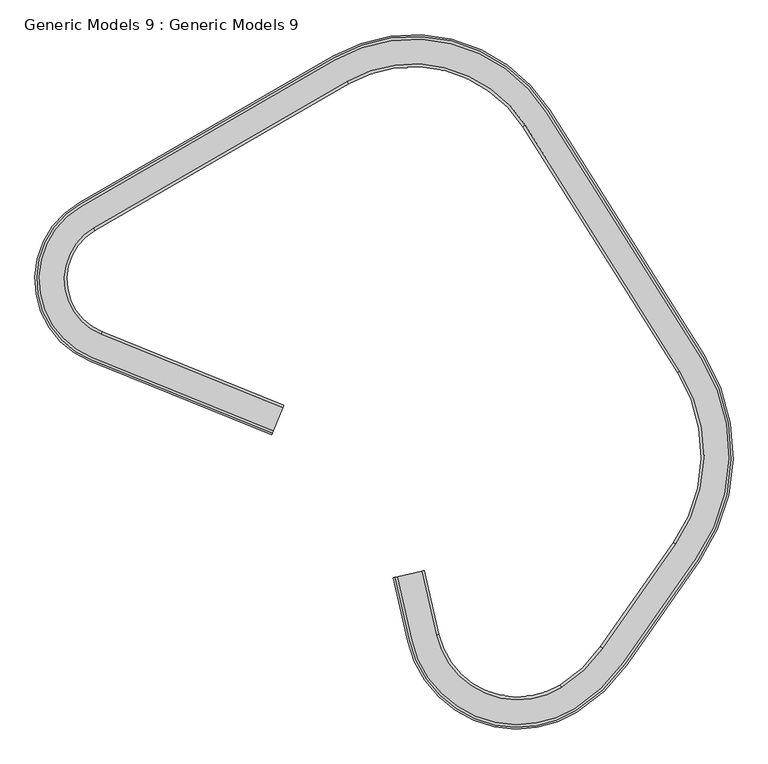
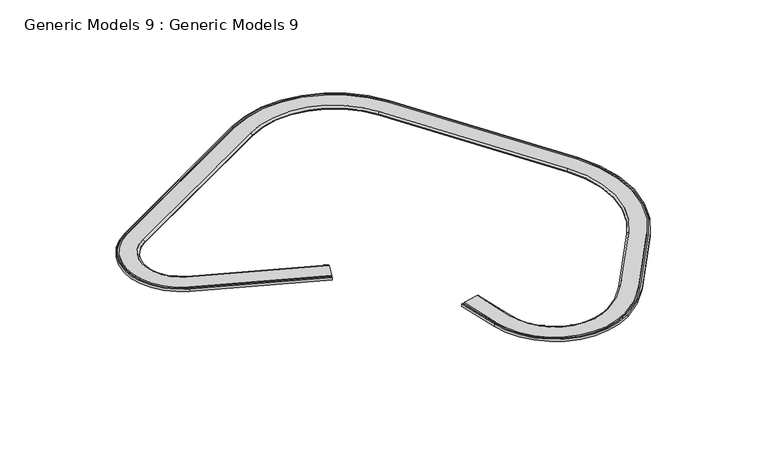
"""IFC4 building model written with IfcOpenShell, lengths in millimetres: proxy geometry, Generic Models 9 : Generic Models 9."""

import ifcopenshell
import ifcopenshell.guid

model = None  # the IFC model being written
_history = None  # IfcOwnerHistory: only IFC2X3 demands one
_inside = {}  # id of a spatial element -> (the spatial element, [elements in it])
_under = {}  # id of a project, library or spatial element -> (it, [spatial elements below it])
_declared = {}  # id of a project -> (the project, [libraries it declares])
_typed = {}  # id of a type object -> (the type object, [elements of that type])
_made_of = {}  # id of a material, layer set ... -> (it, [elements and type objects made of it])


def new_model(schema):
    """Start an empty IFC model of exactly this schema.

    Asked for "IFC4X3", IfcOpenShell would pick the latest addendum, in which some entities
    have other attributes; the version numbers below select the first issue.
    IFC2X3 requires an IfcOwnerHistory on every rooted entity: one is made here for all.
    """
    global model, _history
    if schema == "IFC4X3":
        model = ifcopenshell.file(schema_version=(4, 3, 0, 0))
    else:
        model = ifcopenshell.file(schema=schema)
    _inside.clear()
    _under.clear()
    _declared.clear()
    _typed.clear()
    _made_of.clear()
    _history = None
    if model.schema == "IFC2X3":
        org = make("IfcOrganization", Name="unknown")
        user = make(
            "IfcPersonAndOrganization",
            ThePerson=make("IfcPerson", FamilyName="unknown"),
            TheOrganization=org,
        )
        app = make(
            "IfcApplication",
            ApplicationDeveloper=org,
            Version="unknown",
            ApplicationFullName="unknown",
            ApplicationIdentifier="unknown",
        )
        _history = make(
            "IfcOwnerHistory",
            OwningUser=user,
            OwningApplication=app,
            ChangeAction="ADDED",
            CreationDate=0,
        )
    return model


def make(cls, **values):
    """One entity of the class cls with the attributes given. An attribute that is None is left unset."""
    return model.create_entity(
        cls, **{name: value for name, value in values.items() if value is not None}
    )


def rooted(cls, **values):
    """An entity with a GlobalId (a new one), such as an element, a storey or a relation."""
    return make(cls, GlobalId=ifcopenshell.guid.new(), OwnerHistory=_history, **values)


def si_unit(unit_type, name, prefix=None):
    """IfcSIUnit, for example si_unit("LENGTHUNIT", "METRE", prefix="MILLI")."""
    return make("IfcSIUnit", UnitType=unit_type, Prefix=prefix, Name=name)


def assignment(units):
    """IfcUnitAssignment: the units of a project."""
    return None if units is None else make("IfcUnitAssignment", Units=units)


def point(xyz):
    """IfcCartesianPoint."""
    return None if xyz is None else make("IfcCartesianPoint", Coordinates=xyz)


def direction(xyz):
    """IfcDirection."""
    return None if xyz is None else make("IfcDirection", DirectionRatios=xyz)


def frame(location, z_axis=None, x_axis=None):
    """IfcAxis2Placement3D, a coordinate frame: its origin and axes. An axis left out is left unset."""
    return make(
        "IfcAxis2Placement3D",
        Location=point(location),
        Axis=direction(z_axis),
        RefDirection=direction(x_axis),
    )


def origin():
    """The frame at (0, 0, 0) with its axes left unset."""
    return frame((0.0, 0.0, 0.0))


def place(relative_to, where):
    """IfcLocalPlacement: puts the frame where relative to a parent placement (None: the world)."""
    return make(
        "IfcLocalPlacement", PlacementRelTo=relative_to, RelativePlacement=where
    )


def context(
    kind, dimensions, precision=None, world=None, true_north=None, identifier=None
):
    """IfcGeometricRepresentationContext, for example the 3D "Model" context."""
    return make(
        "IfcGeometricRepresentationContext",
        ContextIdentifier=identifier,
        ContextType=kind,
        CoordinateSpaceDimension=dimensions,
        Precision=precision,
        WorldCoordinateSystem=world,
        TrueNorth=true_north,
    )


def project(units=None, contexts=None):
    """IfcProject with its units and contexts."""
    return rooted(
        "IfcProject",
        Name="project",
        RepresentationContexts=contexts,
        UnitsInContext=assignment(units),
    )


def spatial(cls, under=None, at=None, **own):
    """A site, building, storey or space (cls), placed at a placement, below another one or the project."""
    s = rooted(cls, ObjectPlacement=at, **own)
    if under is not None:
        _under.setdefault(under.id(), (under, []))[1].append(s)
    return s


def polyline(points):
    """IfcPolyline through the points."""
    return make("IfcPolyline", Points=[point(p) for p in points])


def circle_curve(where, radius):
    """IfcCircle in the frame where."""
    return make("IfcCircle", Position=where, Radius=radius)


def ellipse_curve(where, semi_axis1, semi_axis2):
    """IfcEllipse in the frame where."""
    return make(
        "IfcEllipse", Position=where, SemiAxis1=semi_axis1, SemiAxis2=semi_axis2
    )


def trimmed(basis, trim1, trim2, sense, master):
    """IfcTrimmedCurve: the piece of a basis curve between two trims."""
    return make(
        "IfcTrimmedCurve",
        BasisCurve=basis,
        Trim1=trim1,
        Trim2=trim2,
        SenseAgreement=sense,
        MasterRepresentation=master,
    )


def shape(context_of_items, identifier, shape_type, items):
    """IfcShapeRepresentation: the items that make up one representation, for example the "Body"."""
    return make(
        "IfcShapeRepresentation",
        ContextOfItems=context_of_items,
        RepresentationIdentifier=identifier,
        RepresentationType=shape_type,
        Items=items,
    )


def source(mapping_origin, context_of_items, identifier, shape_type, items):
    """IfcRepresentationMap: a shape defined once, which mapped items show again and again."""
    return make(
        "IfcRepresentationMap",
        MappingOrigin=mapping_origin,
        MappedRepresentation=shape(context_of_items, identifier, shape_type, items),
    )


def transform(
    local_origin,
    x_axis=None,
    y_axis=None,
    z_axis=None,
    scale=None,
    scale2=None,
    scale3=None,
    uniform=True,
):
    """IfcCartesianTransformationOperator3D, or its non-uniform kind. x_axis, y_axis, z_axis: its Axis1, 2, 3."""
    if uniform:
        return make(
            "IfcCartesianTransformationOperator3D",
            Axis1=direction(x_axis),
            Axis2=direction(y_axis),
            LocalOrigin=point(local_origin),
            Scale=scale,
            Axis3=direction(z_axis),
        )
    return make(
        "IfcCartesianTransformationOperator3DnonUniform",
        Axis1=direction(x_axis),
        Axis2=direction(y_axis),
        LocalOrigin=point(local_origin),
        Scale=scale,
        Axis3=direction(z_axis),
        Scale2=scale2,
        Scale3=scale3,
    )


def mapped(mapping_source, mapping_target):
    """IfcMappedItem: shows the shape of a source again, moved by a transform."""
    return make(
        "IfcMappedItem", MappingSource=mapping_source, MappingTarget=mapping_target
    )


def made_of(thing, what):
    """Note that an element or type object is made of a material, layer set ...; save() writes the relation."""
    if what is not None:
        _made_of.setdefault(what.id(), (what, []))[1].append(thing)
    return thing


def element(
    cls,
    number,
    at=None,
    inside=None,
    cuts=None,
    type_object=None,
    material=None,
    context=None,
    identifier="Body",
    shape_type=None,
    held_by="IfcProductDefinitionShape",
    body=None,
    shapes=None,
    **own,
):
    """One element of the class cls, such as IfcWall. Its Tag is "e" and its number.

    at: its placement. inside: the storey or other place that contains it. cuts: it is an
    opening in that element (IfcRelVoidsElement). A single representation is given by context,
    identifier, shape_type and body (its items); several are given by shapes. held_by: the class
    of the entity that holds the representations. save() writes the other relations.
    """
    e = rooted(cls, Tag="e%d" % number, ObjectPlacement=at, **own)
    if body is not None:
        shapes = [shape(context, identifier, shape_type, body)]
    if shapes is not None:
        e.Representation = make(held_by, Representations=shapes)
    if inside is not None:
        _inside.setdefault(inside.id(), (inside, []))[1].append(e)
    if cuts is not None:
        rooted(
            "IfcRelVoidsElement", RelatingBuildingElement=cuts, RelatedOpeningElement=e
        )
    if type_object is not None:
        _typed.setdefault(type_object.id(), (type_object, []))[1].append(e)
    return made_of(e, material)


def aggregate(whole, parts):
    """IfcRelAggregates: a whole, such as a stair, and the parts it consists of."""
    return rooted("IfcRelAggregates", RelatingObject=whole, RelatedObjects=parts)


def save(model, path):
    """Write the relations noted so far, then the file.

    IfcRelAggregates (storeys below a building ...), IfcRelContainedInSpatialStructure (elements
    in a storey), IfcRelDefinesByType, IfcRelAssociatesMaterial and IfcRelDeclares: one each for
    every whole, place, type object, material and project.
    """
    for whole, parts in _under.values():
        aggregate(whole, parts)
    for where, things in _inside.values():
        rooted(
            "IfcRelContainedInSpatialStructure",
            RelatedElements=things,
            RelatingStructure=where,
        )
    for kind, things in _typed.values():
        rooted("IfcRelDefinesByType", RelatedObjects=things, RelatingType=kind)
    for what, things in _made_of.values():
        rooted("IfcRelAssociatesMaterial", RelatedObjects=things, RelatingMaterial=what)
    for by, libraries in _declared.values():
        rooted("IfcRelDeclares", RelatingContext=by, RelatedDefinitions=libraries)
    model.write(path)


def plane_surface(at):
    """IfcPlane: the flat surface through the origin of the frame at, square to its z axis."""
    return make("IfcPlane", Position=at)


def cylinder_surface(at, radius):
    """IfcCylindricalSurface: all points at the distance radius from the z axis of the frame at."""
    return make("IfcCylindricalSurface", Position=at, Radius=radius)


def revolved_surface(curve, axis_point, axis_direction):
    """IfcSurfaceOfRevolution: the curve turned about the line through axis_point along axis_direction."""
    return make(
        "IfcSurfaceOfRevolution",
        SweptCurve=make("IfcArbitraryOpenProfileDef", ProfileType="CURVE", Curve=curve),
        AxisPosition=make("IfcAxis1Placement", Location=point(axis_point), Axis=direction(axis_direction)),
    )


def advanced_brep(points, edges, surfaces, faces):
    """IfcAdvancedBrep: a solid bounded by faces that lie on surfaces and meet in shared edges.

    An edge is (start, end): straight between two places in points (the first is 0);
    or (start, end, curve); or (start, end, curve, False) where it runs against its curve.
    A face is (place in surfaces, loops), or (place, loops, False) where it looks against
    its surface's normal. A loop lists edges by number (the first is 1), with a minus sign
    where the edge is run from its end to its start. The first loop is the outer one.
    """
    corners = [point(p) for p in points]
    vertices = [make("IfcVertexPoint", VertexGeometry=c) for c in corners]
    made = []
    for start, end, *more in edges:
        made.append(
            make(
                "IfcEdgeCurve",
                EdgeStart=vertices[start],
                EdgeEnd=vertices[end],
                EdgeGeometry=more[0] if more else make("IfcPolyline", Points=[corners[start], corners[end]]),
                SameSense=more[1] if len(more) > 1 else True,
            )
        )
    hull = []
    for where, loops, *sense in faces:
        bounds = []
        for j, loop in enumerate(loops):
            ring = [make("IfcOrientedEdge", EdgeElement=made[abs(k) - 1], Orientation=k > 0) for k in loop]
            bounds.append(
                make(
                    "IfcFaceOuterBound" if j == 0 else "IfcFaceBound",
                    Bound=make("IfcEdgeLoop", EdgeList=ring),
                    Orientation=True,
                )
            )
        hull.append(make("IfcAdvancedFace", Bounds=bounds, FaceSurface=surfaces[where], SameSense=sense[0] if sense else True))
    return make("IfcAdvancedBrep", Outer=make("IfcClosedShell", CfsFaces=hull))


def generic_models_9_generic_models_9_89d37379(model_context):
    return source(origin(), model_context, "Body", "AdvancedBrep", [
        advanced_brep(
        [(-186913.2275793, 17697.3191624, 10680.0), (-186913.2275793, 17697.3191624, 10730.0), (-186893.7213543, 17701.7358565, 10730.0), (-186893.7213543, 17701.7358565, 10705.0), (-186859.5854606, 17709.4650711, 10705.0), (-186859.5854606, 17709.4650711, 10730.0), (-186562.1155294, 17776.8196557, 10730.0), (-186527.9796357, 17784.5488704, 10695.0), (-186527.9796357, 17784.5488704, 10680.0), (-186734.8367909, 16909.4604615, 10680.0), (-186734.8367909, 16909.4604615, 10730.0), (-184642.4325682, 16029.9105196, 10730.0), (-184025.3881298, 16611.8177569, 10730.0), (-183120.8585594, 17903.6198599, 10730.0), (-183059.3616368, 20443.8215384, 10730.0), (-184978.0538623, 23487.5488587, 10730.0), (-187663.2202998, 24151.4053583, 10730.0), (-190803.2388845, 22338.5147832, 10730.0), (-190665.9331043, 20374.9506453, 10730.0), (-188417.9927431, 19466.7237853, 10730.0), (-188410.5006112, 19485.2674624, 10730.0), (-190658.4409724, 20393.4943224, 10730.0), (-190793.2388845, 22321.1942751, 10730.0), (-187653.2202998, 24134.0848502, 10730.0), (-184994.9728241, 23476.8835537, 10730.0), (-183076.2805986, 20433.1562334, 10730.0), (-183137.2416003, 17915.0913886, 10730.0), (-184041.7711707, 16623.2892857, 10730.0), (-184652.92497, 16046.9372486, 10730.0), (-186715.3305659, 16913.8771555, 10730.0), (-186715.3305659, 16913.8771555, 10705.0), (-184652.92497, 16046.9372486, 10705.0), (-184041.7711707, 16623.2892857, 10705.0), (-183137.2416003, 17915.0913886, 10705.0), (-183076.2805986, 20433.1562334, 10705.0), (-184994.9728241, 23476.8835537, 10705.0), (-187653.2202998, 24134.0848502, 10705.0), (-190793.2388845, 22321.1942751, 10705.0), (-190658.4409724, 20393.4943224, 10705.0), (-188410.5006112, 19485.2674624, 10705.0), (-188397.3893804, 19517.7188973, 10705.0), (-190645.3297416, 20425.9457573, 10705.0), (-190775.7388845, 22290.883386, 10705.0), (-187635.7202998, 24103.7739611, 10705.0), (-185024.5810072, 23458.2192698, 10705.0), (-183105.8887817, 20414.4919495, 10705.0), (-183165.9119219, 17935.1665639, 10705.0), (-184070.4414922, 16643.3644609, 10705.0), (-184671.2866733, 16076.7340245, 10705.0), (-186681.1946721, 16921.6063702, 10705.0), (-186681.1946721, 16921.6063702, 10730.0), (-184671.2866733, 16076.7340245, 10730.0), (-184070.4414922, 16643.3644609, 10730.0), (-183165.9119219, 17935.1665639, 10730.0), (-183105.8887817, 20414.4919495, 10730.0), (-185024.5810072, 23458.2192698, 10730.0), (-187635.7202998, 24103.7739611, 10730.0), (-190775.7388845, 22290.883386, 10730.0), (-190645.3297416, 20425.9457573, 10730.0), (-188397.3893804, 19517.7188973, 10730.0), (-188283.1343695, 19800.5099729, 10730.0), (-190531.0747306, 20708.7368329, 10730.0), (-190623.2388845, 22026.7456378, 10730.0), (-187483.2202998, 23839.6362129, 10730.0), (-185282.5951743, 23295.5733674, 10730.0), (-183363.9029489, 20251.8460471, 10730.0), (-183415.7532954, 18110.107377, 10730.0), (-184320.2828658, 16818.305274, 10730.0), (-184831.2958016, 16336.3916431, 10730.0), (-186383.724741, 16988.9609548, 10730.0), (-186349.5888473, 16996.6901694, 10695.0), (-186349.5888473, 16996.6901694, 10680.0), (-184849.6575048, 16366.188419, 10680.0), (-184348.9531873, 16838.3804493, 10680.0), (-183444.4236169, 18130.1825523, 10680.0), (-183393.511132, 20233.1817632, 10680.0), (-185312.2033574, 23276.9090836, 10680.0), (-187465.7202998, 23809.3253238, 10680.0), (-190605.7388845, 21996.4347487, 10680.0), (-190517.9634999, 20741.1882678, 10680.0), (-188270.0231387, 19832.9614078, 10680.0), (-188417.9927431, 19466.7237853, 10680.0), (-190665.9331043, 20374.9506453, 10680.0), (-190803.2388845, 22338.5147832, 10680.0), (-187663.2202998, 24151.4053583, 10680.0), (-184978.0538623, 23487.5488587, 10680.0), (-183059.3616368, 20443.8215384, 10680.0), (-183120.8585594, 17903.6198599, 10680.0), (-184025.3881298, 16611.8177569, 10680.0), (-184642.4325682, 16029.9105196, 10680.0), (-184849.6575048, 16366.188419, 10695.0), (-184348.9531873, 16838.3804493, 10695.0), (-183444.4236169, 18130.1825523, 10695.0), (-183393.511132, 20233.1817632, 10695.0), (-185312.2033574, 23276.9090836, 10695.0), (-187465.7202998, 23809.3253238, 10695.0), (-190605.7388845, 21996.4347487, 10695.0), (-190517.9634999, 20741.1882678, 10695.0), (-188270.0231387, 19832.9614078, 10695.0)],
        [
            (0, 1),
            (1, 2),
            (2, 3),
            (3, 4),
            (4, 5),
            (5, 6),
            (6, 7, circle_curve(frame((-186562.1155294, 17776.8196557, 10695.0), z_axis=(-0.2208347037247071, 0.9753112496176904, 0.0), x_axis=(-0.9753112496176904, -0.2208347037247071, 0.0)), 35.0)),
            (7, 8),
            (8, 0),
            (0, 9),
            (9, 10),
            (10, 1),
            (10, 11, circle_curve(frame((-185374.2775976, 17217.5248731, 10730.0), z_axis=(0.0, 0.0, 1.0), x_axis=(-0.9753112496176888, -0.2208347037247143, 0.0)), 1395.0)),
            (11, 12, circle_curve(frame((-185741.5116626, 17813.4603911, 10730.0), z_axis=(0.0, 0.0, 1.0), x_axis=(0.5246200928030663, -0.8513364541867698, 0.0)), 2095.0)),
            (12, 13),
            (13, 14, circle_curve(frame((-185000.8125011, 19219.9777813, 10730.0), z_axis=(0.0, 0.0, 1.0), x_axis=(0.8191520442889839, -0.5735764363510574, 0.0)), 2295.0)),
            (14, 15),
            (15, 16, circle_curve(frame((-186665.7202998, 22423.6846777, 10730.0), z_axis=(0.0, 0.0, 1.0), x_axis=(0.8459480889866662, 0.5332652536400695, 0.0)), 1995.0)),
            (16, 17),
            (17, 18, circle_curve(frame((-190255.7388845, 21390.216966, 10730.0), z_axis=(0.0, 0.0, 1.0), x_axis=(-0.49999999999997496, 0.866025403784453, 0.0)), 1095.0)),
            (18, 19),
            (19, 20),
            (20, 21),
            (21, 22, circle_curve(frame((-190255.7388845, 21390.216966, 10730.0), z_axis=(0.0, 0.0, -1.0), x_axis=(-0.49999999999997496, 0.866025403784453, 0.0)), 1075.0)),
            (22, 23),
            (23, 24, circle_curve(frame((-186665.7202998, 22423.6846777, 10730.0), z_axis=(0.0, 0.0, -1.0), x_axis=(0.8459480889866662, 0.5332652536400695, 0.0)), 1975.0)),
            (24, 25),
            (25, 26, circle_curve(frame((-185000.8125011, 19219.9777813, 10730.0), z_axis=(0.0, 0.0, -1.0), x_axis=(0.8191520442889839, -0.5735764363510574, 0.0)), 2275.0)),
            (26, 27),
            (27, 28, circle_curve(frame((-185741.5116626, 17813.4603911, 10730.0), z_axis=(0.0, 0.0, -1.0), x_axis=(0.5246200928030663, -0.8513364541867698, 0.0)), 2075.0)),
            (28, 29, circle_curve(frame((-185374.2775976, 17217.5248731, 10730.0), z_axis=(0.0, 0.0, -1.0), x_axis=(-0.9753112496176888, -0.2208347037247143, 0.0)), 1375.0)),
            (29, 2),
            (29, 30),
            (30, 3),
            (30, 31, circle_curve(frame((-185374.2775976, 17217.5248731, 10705.0), z_axis=(0.0, 0.0, 1.0), x_axis=(-0.9753112496176888, -0.2208347037247143, 0.0)), 1375.0)),
            (31, 32, circle_curve(frame((-185741.5116626, 17813.4603911, 10705.0), z_axis=(0.0, 0.0, 1.0), x_axis=(0.5246200928030663, -0.8513364541867698, 0.0)), 2075.0)),
            (32, 33),
            (33, 34, circle_curve(frame((-185000.8125011, 19219.9777813, 10705.0), z_axis=(0.0, 0.0, 1.0), x_axis=(0.8191520442889839, -0.5735764363510574, 0.0)), 2275.0)),
            (34, 35),
            (35, 36, circle_curve(frame((-186665.7202998, 22423.6846777, 10705.0), z_axis=(0.0, 0.0, 1.0), x_axis=(0.8459480889866662, 0.5332652536400695, 0.0)), 1975.0)),
            (36, 37),
            (37, 38, circle_curve(frame((-190255.7388845, 21390.216966, 10705.0), z_axis=(0.0, 0.0, 1.0), x_axis=(-0.49999999999997496, 0.866025403784453, 0.0)), 1075.0)),
            (38, 39),
            (39, 40),
            (40, 41),
            (41, 42, circle_curve(frame((-190255.7388845, 21390.216966, 10705.0), z_axis=(0.0, 0.0, -1.0), x_axis=(-0.49999999999997496, 0.866025403784453, 0.0)), 1040.0)),
            (42, 43),
            (43, 44, circle_curve(frame((-186665.7202998, 22423.6846777, 10705.0), z_axis=(0.0, 0.0, -1.0), x_axis=(0.8459480889866662, 0.5332652536400695, 0.0)), 1940.0)),
            (44, 45),
            (45, 46, circle_curve(frame((-185000.8125011, 19219.9777813, 10705.0), z_axis=(0.0, 0.0, -1.0), x_axis=(0.8191520442889839, -0.5735764363510574, 0.0)), 2240.0)),
            (46, 47),
            (47, 48, circle_curve(frame((-185741.5116626, 17813.4603911, 10705.0), z_axis=(0.0, 0.0, -1.0), x_axis=(0.5246200928030663, -0.8513364541867698, 0.0)), 2040.0)),
            (48, 49, circle_curve(frame((-185374.2775976, 17217.5248731, 10705.0), z_axis=(0.0, 0.0, -1.0), x_axis=(-0.9753112496176888, -0.2208347037247143, 0.0)), 1340.0)),
            (49, 4),
            (49, 50),
            (50, 5),
            (50, 51, circle_curve(frame((-185374.2775976, 17217.5248731, 10730.0), z_axis=(0.0, 0.0, 1.0), x_axis=(-0.9753112496176888, -0.2208347037247143, 0.0)), 1340.0)),
            (51, 52, circle_curve(frame((-185741.5116626, 17813.4603911, 10730.0), z_axis=(0.0, 0.0, 1.0), x_axis=(0.5246200928030663, -0.8513364541867698, 0.0)), 2040.0)),
            (52, 53),
            (53, 54, circle_curve(frame((-185000.8125011, 19219.9777813, 10730.0), z_axis=(0.0, 0.0, 1.0), x_axis=(0.8191520442889839, -0.5735764363510574, 0.0)), 2240.0)),
            (54, 55),
            (55, 56, circle_curve(frame((-186665.7202998, 22423.6846777, 10730.0), z_axis=(0.0, 0.0, 1.0), x_axis=(0.8459480889866662, 0.5332652536400695, 0.0)), 1940.0)),
            (56, 57),
            (57, 58, circle_curve(frame((-190255.7388845, 21390.216966, 10730.0), z_axis=(0.0, 0.0, 1.0), x_axis=(-0.49999999999997496, 0.866025403784453, 0.0)), 1040.0)),
            (58, 59),
            (59, 60),
            (60, 61),
            (61, 62, circle_curve(frame((-190255.7388845, 21390.216966, 10730.0), z_axis=(0.0, 0.0, -1.0), x_axis=(-0.49999999999997496, 0.866025403784453, 0.0)), 735.0)),
            (62, 63),
            (63, 64, circle_curve(frame((-186665.7202998, 22423.6846777, 10730.0), z_axis=(0.0, 0.0, -1.0), x_axis=(0.8459480889866662, 0.5332652536400695, 0.0)), 1635.0)),
            (64, 65),
            (65, 66, circle_curve(frame((-185000.8125011, 19219.9777813, 10730.0), z_axis=(0.0, 0.0, -1.0), x_axis=(0.8191520442889839, -0.5735764363510574, 0.0)), 1935.0)),
            (66, 67),
            (67, 68, circle_curve(frame((-185741.5116626, 17813.4603911, 10730.0), z_axis=(0.0, 0.0, -1.0), x_axis=(0.5246200928030663, -0.8513364541867698, 0.0)), 1735.0)),
            (68, 69, circle_curve(frame((-185374.2775976, 17217.5248731, 10730.0), z_axis=(0.0, 0.0, -1.0), x_axis=(-0.9753112496176888, -0.2208347037247143, 0.0)), 1035.0)),
            (69, 6),
            (69, 70, circle_curve(frame((-186383.724741, 16988.9609548, 10695.0), z_axis=(-0.2208347037247071, 0.9753112496176904, 0.0), x_axis=(-0.9753112496176904, -0.2208347037247071, 0.0)), 35.0)),
            (70, 7),
            (70, 71),
            (71, 8),
            (71, 72, circle_curve(frame((-185374.2775976, 17217.5248731, 10680.0), z_axis=(0.0, 0.0, 1.0), x_axis=(-0.9753112496176888, -0.2208347037247143, 0.0)), 1000.0)),
            (72, 73, circle_curve(frame((-185741.5116626, 17813.4603911, 10680.0), z_axis=(0.0, 0.0, 1.0), x_axis=(0.5246200928030663, -0.8513364541867698, 0.0)), 1700.0)),
            (73, 74),
            (74, 75, circle_curve(frame((-185000.8125011, 19219.9777813, 10680.0), z_axis=(0.0, 0.0, 1.0), x_axis=(0.8191520442889839, -0.5735764363510574, 0.0)), 1900.0)),
            (75, 76),
            (76, 77, circle_curve(frame((-186665.7202998, 22423.6846777, 10680.0), z_axis=(0.0, 0.0, 1.0), x_axis=(0.8459480889866662, 0.5332652536400695, 0.0)), 1600.0)),
            (77, 78),
            (78, 79, circle_curve(frame((-190255.7388845, 21390.216966, 10680.0), z_axis=(0.0, 0.0, 1.0), x_axis=(-0.49999999999997496, 0.866025403784453, 0.0)), 700.0)),
            (79, 80),
            (80, 81),
            (81, 82),
            (82, 83, circle_curve(frame((-190255.7388845, 21390.216966, 10680.0), z_axis=(0.0, 0.0, -1.0), x_axis=(-0.49999999999997496, 0.866025403784453, 0.0)), 1095.0)),
            (83, 84),
            (84, 85, circle_curve(frame((-186665.7202998, 22423.6846777, 10680.0), z_axis=(0.0, 0.0, -1.0), x_axis=(0.8459480889866662, 0.5332652536400695, 0.0)), 1995.0)),
            (85, 86),
            (86, 87, circle_curve(frame((-185000.8125011, 19219.9777813, 10680.0), z_axis=(0.0, 0.0, -1.0), x_axis=(0.8191520442889839, -0.5735764363510574, 0.0)), 2295.0)),
            (87, 88),
            (88, 89, circle_curve(frame((-185741.5116626, 17813.4603911, 10680.0), z_axis=(0.0, 0.0, -1.0), x_axis=(0.5246200928030663, -0.8513364541867698, 0.0)), 2095.0)),
            (89, 9, circle_curve(frame((-185374.2775976, 17217.5248731, 10680.0), z_axis=(0.0, 0.0, -1.0), x_axis=(-0.9753112496176888, -0.2208347037247143, 0.0)), 1395.0)),
            (89, 11),
            (28, 31),
            (48, 51),
            (90, 70, circle_curve(frame((-185374.2775976, 17217.5248731, 10695.0), z_axis=(0.0, 0.0, -1.0), x_axis=(-0.9753112496176888, -0.2208347037247143, 0.0)), 1000.0)),
            (68, 90, circle_curve(frame((-184831.2958016, 16336.3916431, 10695.0), z_axis=(-0.8513364541867798, -0.5246200928030502, 0.0), x_axis=(0.5246200928030502, -0.8513364541867798, 0.0)), 35.0)),
            (90, 72),
            (88, 12),
            (27, 32),
            (47, 52),
            (91, 90, circle_curve(frame((-185741.5116626, 17813.4603911, 10695.0), z_axis=(0.0, 0.0, -1.0), x_axis=(0.5246200928030663, -0.8513364541867698, 0.0)), 1700.0)),
            (67, 91, circle_curve(frame((-184320.2828658, 16818.305274, 10695.0), z_axis=(-0.57357643635107, -0.819152044288975, 0.0), x_axis=(0.819152044288975, -0.57357643635107, 0.0)), 35.0)),
            (91, 73),
            (87, 13),
            (26, 33),
            (46, 53),
            (66, 92, circle_curve(frame((-183415.7532954, 18110.107377, 10695.0), z_axis=(-0.573576436351058, -0.8191520442889835, 0.0), x_axis=(0.8191520442889835, -0.573576436351058, 0.0)), 35.0)),
            (92, 91),
            (92, 74),
            (86, 14),
            (25, 34),
            (45, 54),
            (93, 92, circle_curve(frame((-185000.8125011, 19219.9777813, 10695.0), z_axis=(0.0, 0.0, -1.0), x_axis=(0.8191520442889839, -0.5735764363510574, 0.0)), 1900.0)),
            (65, 93, circle_curve(frame((-183363.9029489, 20251.8460471, 10695.0), z_axis=(0.5332652536400819, -0.8459480889866583, 0.0), x_axis=(0.8459480889866583, 0.5332652536400819, 0.0)), 35.0)),
            (93, 75),
            (85, 15),
            (24, 35),
            (44, 55),
            (64, 94, circle_curve(frame((-185282.5951743, 23295.5733674, 10695.0), z_axis=(0.5332652536400786, -0.8459480889866604, 0.0), x_axis=(0.8459480889866604, 0.5332652536400786, 0.0)), 35.0)),
            (94, 93),
            (94, 76),
            (84, 16),
            (23, 36),
            (43, 56),
            (95, 94, circle_curve(frame((-186665.7202998, 22423.6846777, 10695.0), z_axis=(0.0, 0.0, -1.0), x_axis=(0.8459480889866662, 0.5332652536400695, 0.0)), 1600.0)),
            (63, 95, circle_curve(frame((-187483.2202998, 23839.6362129, 10695.0), z_axis=(0.8660254037844586, 0.4999999999999656, 0.0), x_axis=(-0.4999999999999656, 0.8660254037844586, 0.0)), 35.0)),
            (95, 77),
            (83, 17),
            (22, 37),
            (42, 57),
            (62, 96, circle_curve(frame((-190623.2388845, 22026.7456378, 10695.0), z_axis=(0.8660254037844478, 0.49999999999998423, 0.0), x_axis=(-0.49999999999998423, 0.8660254037844478, 0.0)), 35.0)),
            (96, 95),
            (96, 78),
            (82, 18),
            (21, 38),
            (41, 58),
            (97, 96, circle_curve(frame((-190255.7388845, 21390.216966, 10695.0), z_axis=(0.0, 0.0, -1.0), x_axis=(-0.49999999999997496, 0.866025403784453, 0.0)), 700.0)),
            (61, 97, circle_curve(frame((-190531.0747306, 20708.7368329, 10695.0), z_axis=(-0.9271838545667821, 0.3746065934159249, 0.0), x_axis=(-0.3746065934159249, -0.9271838545667821, 0.0)), 35.0)),
            (97, 79),
            (80, 98),
            (98, 60, circle_curve(frame((-188283.1343695, 19800.5099729, 10695.0), z_axis=(0.9271838545667814, -0.37460659341592717, 0.0), x_axis=(-0.37460659341592717, -0.9271838545667814, 0.0)), 35.0)),
            (59, 40),
            (39, 20),
            (19, 81),
            (98, 97),
        ],
        [
            plane_surface(frame((-186527.9796357, 17784.5488704, 10680.0), z_axis=(-0.22083470372470798, 0.9753112496176902, 0.0), x_axis=(0.0, 0.0, 1.0))),
            plane_surface(frame((-186913.2275793, 17697.3191624, 10680.0), z_axis=(-0.9753112496176984, -0.22083470372467204, 0.0), x_axis=(0.22083470372467204, -0.9753112496176984, 0.0))),
            plane_surface(frame((-186913.2275793, 17697.3191624, 10730.0), z_axis=(0.0, 0.0, 1.0000000000000002), x_axis=(0.2208347037247146, -0.9753112496176888, 0.0))),
            plane_surface(frame((-186893.7213543, 17701.7358565, 10730.0), z_axis=(0.9753112496176888, 0.2208347037247146, 0.0), x_axis=(0.2208347037247146, -0.9753112496176888, 0.0))),
            plane_surface(frame((-186893.7213543, 17701.7358565, 10705.0), z_axis=(0.0, 0.0, 1.0000000000000002), x_axis=(0.22083470372467204, -0.9753112496176984, 0.0))),
            plane_surface(frame((-186859.5854606, 17709.4650711, 10705.0), z_axis=(-0.9753112496176984, -0.22083470372467204, 0.0), x_axis=(0.22083470372467204, -0.9753112496176984, 0.0))),
            plane_surface(frame((-186859.5854606, 17709.4650711, 10730.0), z_axis=(0.0, 0.0, 1.0000000000000002), x_axis=(0.22083470372467204, -0.9753112496176984, 0.0))),
            cylinder_surface(frame((-186562.1155294, 17776.8196557, 10695.0), z_axis=(-0.2208347037247071, 0.9753112496176904, 0.0), x_axis=(-0.9753112496176904, -0.2208347037247071, 0.0)), 35.0),
            plane_surface(frame((-186527.9796357, 17784.5488704, 10695.0), z_axis=(0.9753112496176889, 0.220834703724714, 0.0), x_axis=(0.220834703724714, -0.9753112496176889, 0.0))),
            plane_surface(frame((-186527.9796357, 17784.5488704, 10680.0), z_axis=(0.0, 0.0, -1.0), x_axis=(0.220834703724714, -0.9753112496176889, 0.0))),
            cylinder_surface(frame((-185374.2775976, 17217.5248731, 10680.0), z_axis=(0.0, 0.0, 1.0), x_axis=(-0.9753112496176888, -0.2208347037247143, 0.0)), 1395.0),
            revolved_surface(polyline([(-186715.33056582435, 16913.877155478516, 10730.0), (-186715.33056582435, 16913.877155478516, 10705.0)]), (-185374.2775976, 17217.5248731, 10680.0), (0.0, 0.0, 1.0)),
            cylinder_surface(frame((-185374.2775976, 17217.5248731, 10680.0), z_axis=(0.0, 0.0, 1.0), x_axis=(-0.9753112496176888, -0.2208347037247143, 0.0)), 1340.0),
            revolved_surface(trimmed(ellipse_curve(frame((-186383.724741, 16988.9609548, 10695.0), z_axis=(-0.22083470372471364, 0.9753112496176889, 0.0), x_axis=(-0.9753112496176889, -0.22083470372471364, 0.0)), 35.0, 35.0), [point((-186383.724741, 16988.9609548, 10730.0))], [point((-186349.5888473, 16996.6901694, 10695.0))], True, "CARTESIAN"), (-185374.2775976, 17217.5248731, 10680.0), (0.0, 0.0, 1.0)),
            revolved_surface(polyline([(-186349.5888472177, 16996.690169375284, 10695.0), (-186349.5888472177, 16996.690169375284, 10680.0)]), (-185374.2775976, 17217.5248731, 10680.0), (0.0, 0.0, 1.0)),
            cylinder_surface(frame((-185741.5116626, 17813.4603911, 10680.0), z_axis=(0.0, 0.0, 1.0), x_axis=(0.5246200928030663, -0.8513364541867698, 0.0)), 2095.0),
            revolved_surface(polyline([(-184652.92497003364, 16046.937248662454, 10730.0), (-184652.92497003364, 16046.937248662454, 10705.0)]), (-185741.5116626, 17813.4603911, 10680.0), (0.0, 0.0, 1.0)),
            cylinder_surface(frame((-185741.5116626, 17813.4603911, 10680.0), z_axis=(0.0, 0.0, 1.0), x_axis=(0.5246200928030663, -0.8513364541867698, 0.0)), 2040.0),
            revolved_surface(trimmed(ellipse_curve(frame((-184831.2958016, 16336.3916431, 10695.0), z_axis=(-0.8513364541867702, -0.5246200928030657, 0.0), x_axis=(0.5246200928030657, -0.8513364541867702, 0.0)), 35.0, 35.0), [point((-184831.2958016, 16336.3916431, 10730.0))], [point((-184849.6575048, 16366.188419, 10695.0))], True, "CARTESIAN"), (-185741.5116626, 17813.4603911, 10680.0), (0.0, 0.0, 1.0)),
            revolved_surface(polyline([(-184849.6575048348, 16366.188418982492, 10695.0), (-184849.6575048348, 16366.188418982492, 10680.0)]), (-185741.5116626, 17813.4603911, 10680.0), (0.0, 0.0, 1.0)),
            plane_surface(frame((-184025.3881298, 16611.8177569, 10680.0), z_axis=(0.8191520442889825, -0.5735764363510596, 0.0), x_axis=(0.5735764363510596, 0.8191520442889825, 0.0))),
            plane_surface(frame((-184041.7711707, 16623.2892857, 10730.0), z_axis=(-0.8191520442889819, 0.5735764363510601, 0.0), x_axis=(0.5735764363510601, 0.8191520442889819, 0.0))),
            plane_surface(frame((-184070.4414922, 16643.3644609, 10705.0), z_axis=(0.8191520442889819, -0.5735764363510601, 0.0), x_axis=(0.5735764363510601, 0.8191520442889819, 0.0))),
            cylinder_surface(frame((-184320.2828658, 16818.305274, 10695.0), z_axis=(-0.573576436351058, -0.8191520442889835, 0.0), x_axis=(0.8191520442889835, -0.573576436351058, 0.0)), 35.0),
            plane_surface(frame((-184348.9531873, 16838.3804493, 10695.0), z_axis=(-0.8191520442889819, 0.5735764363510601, 0.0), x_axis=(0.5735764363510601, 0.8191520442889819, 0.0))),
            cylinder_surface(frame((-185000.8125011, 19219.9777813, 10680.0), z_axis=(0.0, 0.0, 1.0), x_axis=(0.8191520442889839, -0.5735764363510574, 0.0)), 2295.0),
            revolved_surface(polyline([(-183137.24160034256, 17915.091388601344, 10730.0), (-183137.24160034256, 17915.091388601344, 10705.0)]), (-185000.8125011, 19219.9777813, 10680.0), (0.0, 0.0, 1.0)),
            cylinder_surface(frame((-185000.8125011, 19219.9777813, 10680.0), z_axis=(0.0, 0.0, 1.0), x_axis=(0.8191520442889839, -0.5735764363510574, 0.0)), 2240.0),
            revolved_surface(trimmed(ellipse_curve(frame((-183415.7532954, 18110.107377, 10695.0), z_axis=(-0.5735764363510578, -0.8191520442889836, 0.0), x_axis=(0.8191520442889836, -0.5735764363510578, 0.0)), 35.0, 35.0), [point((-183415.7532954, 18110.107377, 10730.0))], [point((-183444.4236169, 18130.1825523, 10695.0))], True, "CARTESIAN"), (-185000.8125011, 19219.9777813, 10680.0), (0.0, 0.0, 1.0)),
            revolved_surface(polyline([(-183444.42361695095, 18130.182552232993, 10695.0), (-183444.42361695095, 18130.182552232993, 10680.0)]), (-185000.8125011, 19219.9777813, 10680.0), (0.0, 0.0, 1.0)),
            plane_surface(frame((-183059.3616368, 20443.8215384, 10680.0), z_axis=(0.8459480889866572, 0.5332652536400838, 0.0), x_axis=(-0.5332652536400838, 0.8459480889866572, 0.0))),
            plane_surface(frame((-183076.2805986, 20433.1562334, 10730.0), z_axis=(-0.8459480889866569, -0.5332652536400844, 0.0), x_axis=(-0.5332652536400844, 0.8459480889866569, 0.0))),
            plane_surface(frame((-183105.8887817, 20414.4919495, 10705.0), z_axis=(0.8459480889866624, 0.5332652536400753, 0.0), x_axis=(-0.5332652536400753, 0.8459480889866624, 0.0))),
            cylinder_surface(frame((-183363.9029489, 20251.8460471, 10695.0), z_axis=(0.5332652536400786, -0.8459480889866604, 0.0), x_axis=(0.8459480889866604, 0.5332652536400786, 0.0)), 35.0),
            plane_surface(frame((-183393.511132, 20233.1817632, 10695.0), z_axis=(-0.8459480889866621, -0.5332652536400758, 0.0), x_axis=(-0.5332652536400758, 0.8459480889866621, 0.0))),
            cylinder_surface(frame((-186665.7202998, 22423.6846777, 10680.0), z_axis=(0.0, 0.0, 1.0), x_axis=(0.8459480889866662, 0.5332652536400695, 0.0)), 1995.0),
            revolved_surface(polyline([(-184994.97282405134, 23476.883553639138, 10730.0), (-184994.97282405134, 23476.883553639138, 10705.0)]), (-186665.7202998, 22423.6846777, 10680.0), (0.0, 0.0, 1.0)),
            cylinder_surface(frame((-186665.7202998, 22423.6846777, 10680.0), z_axis=(0.0, 0.0, 1.0), x_axis=(0.8459480889866662, 0.5332652536400695, 0.0)), 1940.0),
            revolved_surface(trimmed(ellipse_curve(frame((-185282.5951743, 23295.5733674, 10695.0), z_axis=(0.533265253640069, -0.8459480889866664, 0.0), x_axis=(0.8459480889866664, 0.533265253640069, 0.0)), 35.0, 35.0), [point((-185282.5951743, 23295.5733674, 10730.0))], [point((-185312.2033574, 23276.9090836, 10695.0))], True, "CARTESIAN"), (-186665.7202998, 22423.6846777, 10680.0), (0.0, 0.0, 1.0)),
            revolved_surface(polyline([(-185312.20335742136, 23276.90908352411, 10695.0), (-185312.20335742136, 23276.90908352411, 10680.0)]), (-186665.7202998, 22423.6846777, 10680.0), (0.0, 0.0, 1.0)),
            plane_surface(frame((-187663.2202998, 24151.4053583, 10680.0), z_axis=(-0.4999999999999852, 0.8660254037844473, 0.0), x_axis=(-0.8660254037844473, -0.4999999999999852, 0.0))),
            plane_surface(frame((-187653.2202998, 24134.0848502, 10730.0), z_axis=(0.4999999999999843, -0.8660254037844478, 0.0), x_axis=(-0.8660254037844478, -0.4999999999999843, 0.0))),
            plane_surface(frame((-187635.7202998, 24103.7739611, 10705.0), z_axis=(-0.4999999999999852, 0.8660254037844473, 0.0), x_axis=(-0.8660254037844473, -0.4999999999999852, 0.0))),
            cylinder_surface(frame((-187483.2202998, 23839.6362129, 10695.0), z_axis=(0.8660254037844478, 0.49999999999998423, 0.0), x_axis=(-0.49999999999998423, 0.8660254037844478, 0.0)), 35.0),
            plane_surface(frame((-187465.7202998, 23809.3253238, 10695.0), z_axis=(0.4999999999999843, -0.8660254037844478, 0.0), x_axis=(-0.8660254037844478, -0.4999999999999843, 0.0))),
            cylinder_surface(frame((-190255.7388845, 21390.216966, 10680.0), z_axis=(0.0, 0.0, 1.0), x_axis=(-0.49999999999997496, 0.866025403784453, 0.0)), 1095.0),
            revolved_surface(polyline([(-190793.23888449997, 22321.194275068287, 10730.0), (-190793.23888449997, 22321.194275068287, 10705.0)]), (-190255.7388845, 21390.216966, 10680.0), (0.0, 0.0, 1.0)),
            cylinder_surface(frame((-190255.7388845, 21390.216966, 10680.0), z_axis=(0.0, 0.0, 1.0), x_axis=(-0.49999999999997496, 0.866025403784453, 0.0)), 1040.0),
            revolved_surface(trimmed(ellipse_curve(frame((-190623.2388845, 22026.7456378, 10695.0), z_axis=(0.8660254037844534, 0.4999999999999744, 0.0), x_axis=(-0.4999999999999744, 0.8660254037844534, 0.0)), 35.0, 35.0), [point((-190623.2388845, 22026.7456378, 10730.0))], [point((-190605.7388845, 21996.4347487, 10695.0))], True, "CARTESIAN"), (-190255.7388845, 21390.216966, 10680.0), (0.0, 0.0, 1.0)),
            revolved_surface(polyline([(-190605.73888449997, 21996.434748649117, 10695.0), (-190605.73888449997, 21996.434748649117, 10680.0)]), (-190255.7388845, 21390.216966, 10680.0), (0.0, 0.0, 1.0)),
            plane_surface(frame((-188270.0231387, 19832.9614078, 10680.0), z_axis=(0.9271838545667818, -0.374606593415926, 0.0), x_axis=(0.0, 0.0, 1.0))),
            plane_surface(frame((-190665.9331043, 20374.9506453, 10680.0), z_axis=(-0.37460659341591934, -0.9271838545667845, 0.0), x_axis=(0.9271838545667845, -0.37460659341591934, 0.0))),
            plane_surface(frame((-190658.4409724, 20393.4943224, 10730.0), z_axis=(0.3746065934159289, 0.9271838545667807, 0.0), x_axis=(0.9271838545667807, -0.3746065934159289, 0.0))),
            plane_surface(frame((-190645.3297416, 20425.9457573, 10705.0), z_axis=(-0.3746065934159289, -0.9271838545667807, 0.0), x_axis=(0.9271838545667807, -0.3746065934159289, 0.0))),
            cylinder_surface(frame((-190531.0747306, 20708.7368329, 10695.0), z_axis=(-0.9271838545667814, 0.37460659341592717, 0.0), x_axis=(-0.37460659341592717, -0.9271838545667814, 0.0)), 35.0),
            plane_surface(frame((-190517.9634999, 20741.1882678, 10695.0), z_axis=(0.37460659341593044, 0.92718385456678, 0.0), x_axis=(0.92718385456678, -0.37460659341593044, 0.0))),
        ],
        [
            (0, [[1, 2, 3, 4, 5, 6, 7, 8, 9]]),
            (1, [[-1, 10, 11, 12]]),
            (2, [[-2, -12, 13, 14, 15, 16, 17, 18, 19, 20, 21, 22, 23, 24, 25, 26, 27, 28, 29, 30, 31, 32]]),
            (3, [[-3, -32, 33, 34]]),
            (4, [[-4, -34, 35, 36, 37, 38, 39, 40, 41, 42, 43, 44, 45, 46, 47, 48, 49, 50, 51, 52, 53, 54]]),
            (5, [[-5, -54, 55, 56]]),
            (6, [[-6, -56, 57, 58, 59, 60, 61, 62, 63, 64, 65, 66, 67, 68, 69, 70, 71, 72, 73, 74, 75, 76]]),
            (7, [[-7, -76, 77, 78]]),
            (8, [[-8, -78, 79, 80]]),
            (9, [[-9, -80, 81, 82, 83, 84, 85, 86, 87, 88, 89, 90, 91, 92, 93, 94, 95, 96, 97, 98, 99, -10]]),
            (10, [[-13, -11, -99, 100]]),
            (11, [[-35, -33, -31, 101]]),
            (12, [[-57, -55, -53, 102]]),
            (13, [[103, -77, -75, 104]]),
            (14, [[-81, -79, -103, 105]]),
            (15, [[-14, -100, -98, 106]]),
            (16, [[-36, -101, -30, 107]]),
            (17, [[-58, -102, -52, 108]]),
            (18, [[109, -104, -74, 110]]),
            (19, [[-82, -105, -109, 111]]),
            (20, [[-106, -97, 112, -15]]),
            (21, [[-107, -29, 113, -37]]),
            (22, [[-108, -51, 114, -59]]),
            (23, [[-110, -73, 115, 116]]),
            (24, [[-111, -116, 117, -83]]),
            (25, [[-16, -112, -96, 118]]),
            (26, [[-38, -113, -28, 119]]),
            (27, [[-60, -114, -50, 120]]),
            (28, [[121, -115, -72, 122]]),
            (29, [[-84, -117, -121, 123]]),
            (30, [[-118, -95, 124, -17]]),
            (31, [[-119, -27, 125, -39]]),
            (32, [[-120, -49, 126, -61]]),
            (33, [[-122, -71, 127, 128]]),
            (34, [[-123, -128, 129, -85]]),
            (35, [[-18, -124, -94, 130]]),
            (36, [[-40, -125, -26, 131]]),
            (37, [[-62, -126, -48, 132]]),
            (38, [[133, -127, -70, 134]]),
            (39, [[-86, -129, -133, 135]]),
            (40, [[-130, -93, 136, -19]]),
            (41, [[-131, -25, 137, -41]]),
            (42, [[-132, -47, 138, -63]]),
            (43, [[-134, -69, 139, 140]]),
            (44, [[-135, -140, 141, -87]]),
            (45, [[-20, -136, -92, 142]]),
            (46, [[-42, -137, -24, 143]]),
            (47, [[-64, -138, -46, 144]]),
            (48, [[145, -139, -68, 146]]),
            (49, [[-88, -141, -145, 147]]),
            (50, [[-90, 148, 149, -66, 150, -44, 151, -22, 152]]),
            (51, [[-142, -91, -152, -21]]),
            (52, [[-143, -23, -151, -43]]),
            (53, [[-144, -45, -150, -65]]),
            (54, [[-146, -67, -149, 153]]),
            (55, [[-147, -153, -148, -89]]),
        ],
    ),
    ])


if __name__ == "__main__":
    model = new_model("IFC4")
    model_context = context("Model", 3, world=origin())
    ifc_project = project(units=[si_unit("LENGTHUNIT", "METRE", prefix="MILLI")], contexts=[model_context])
    site = spatial("IfcSite", under=ifc_project)
    building = spatial("IfcBuilding", under=site)
    placement = place(None, origin())
    generic_models_9_generic_models_9_shape = generic_models_9_generic_models_9_89d37379(model_context)
    element("IfcBuildingElementProxy", 1, Name="Generic Models 9 : Generic Models 9", ObjectType="Generic Models 9 : Generic Models 9", at=placement, inside=building, context=model_context, shape_type="MappedRepresentation", body=[
        mapped(generic_models_9_generic_models_9_shape, transform((0.0, 0.0, 0.0), x_axis=(1.0, 0.0, 0.0), y_axis=(0.0, 1.0, 0.0), z_axis=(0.0, 0.0, 1.0))),
    ])
    save(model, "model.ifc")
